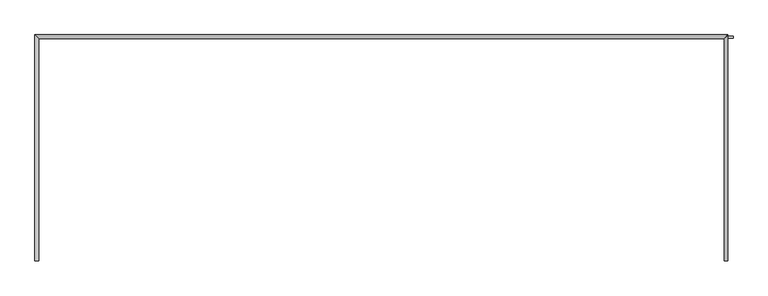
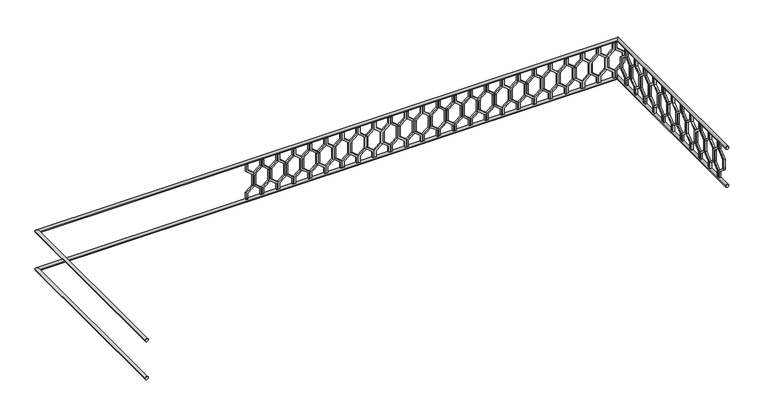
"""IFC4 building model written with IfcOpenShell, lengths in millimetres: railing geometry."""

from ifc_helpers import new_model, si_unit, frame, origin, place, context, project, spatial, polyline, circle_curve, ellipse_curve, outline, extrude, source, transform, mapped, element, save
from ifc_brep_helpers import plane_surface, cylinder_surface, advanced_brep


def railing_1b84068b(model_context):
    return source(origin(), model_context, "Body", "SolidModel", [
        advanced_brep(
        [(42360.0112841, 903.1079487, 25380.0), (42320.0112841, 903.1079487, 25380.0), (42320.0112841, 3283.1079487, 25380.0), (42360.0112841, 3243.1079487, 25380.0), (49600.0112841, 3283.1079487, 25380.0), (49560.0112841, 3243.1079487, 25380.0), (49560.0112841, 903.1079487, 25380.0), (49600.0112841, 903.1079487, 25380.0)],
        [
            (0, 1, circle_curve(frame((42340.0112841, 903.1079487, 25380.0), z_axis=(0.0, -1.0, 0.0), x_axis=(-1.0, 0.0, 0.0)), 20.0)),
            (1, 0, circle_curve(frame((42340.0112841, 903.1079487, 25380.0), z_axis=(0.0, -1.0, 0.0), x_axis=(-1.0, 0.0, 0.0)), 20.0)),
            (1, 2),
            (2, 3, ellipse_curve(frame((42340.0112841, 3263.1079487, 25380.0), z_axis=(-0.7071067811865475, -0.7071067811865476, 0.0), x_axis=(0.7071067811865476, -0.7071067811865475, 0.0)), 28.2842712, 20.0)),
            (3, 0),
            (3, 2, ellipse_curve(frame((42340.0112841, 3263.1079487, 25380.0), z_axis=(-0.7071067811865475, -0.7071067811865476, 0.0), x_axis=(0.7071067811865476, -0.7071067811865475, 0.0)), 28.2842712, 20.0)),
            (2, 4),
            (4, 5, ellipse_curve(frame((49580.0112841, 3263.1079487, 25380.0), z_axis=(-0.7071067811865481, 0.7071067811865469, 0.0), x_axis=(-0.7071067811865469, -0.7071067811865481, 0.0)), 28.2842712, 20.0)),
            (5, 3),
            (5, 4, ellipse_curve(frame((49580.0112841, 3263.1079487, 25380.0), z_axis=(-0.7071067811865481, 0.7071067811865469, 0.0), x_axis=(-0.7071067811865469, -0.7071067811865481, 0.0)), 28.2842712, 20.0)),
            (6, 7, circle_curve(frame((49580.0112841, 903.1079487, 25380.0), z_axis=(0.0, -1.0, 0.0), x_axis=(1.0, 0.0, 0.0)), 20.0)),
            (7, 6, circle_curve(frame((49580.0112841, 903.1079487, 25380.0), z_axis=(0.0, -1.0, 0.0), x_axis=(1.0, 0.0, 0.0)), 20.0)),
            (4, 7),
            (6, 5),
        ],
        [
            plane_surface(frame((42340.0112841, 903.1079487, 25400.0), z_axis=(0.0, -1.0, 0.0), x_axis=(0.0, 0.0, 1.0))),
            cylinder_surface(frame((42340.0112841, 903.1079487, 25380.0), z_axis=(0.0, -1.0, 0.0), x_axis=(-1.0, 0.0, 0.0)), 20.0),
            cylinder_surface(frame((42340.0112841, 3263.1079487, 25380.0), z_axis=(-1.0, 0.0, 0.0), x_axis=(0.0, 1.0, 0.0)), 20.0),
            plane_surface(frame((49580.0112841, 903.1079487, 25400.0), z_axis=(0.0, -1.0, 0.0), x_axis=(0.0, 0.0, -1.0))),
            cylinder_surface(frame((49580.0112841, 3263.1079487, 25380.0), z_axis=(0.0, 1.0, 0.0), x_axis=(1.0, 0.0, 0.0)), 20.0),
        ],
        [
            (0, [[1, 2]]),
            (1, [[-2, 3, 4, 5]]),
            (1, [[-1, -5, 6, -3]]),
            (2, [[-4, 7, 8, 9]]),
            (2, [[-6, -9, 10, -7]]),
            (3, [[11, 12]]),
            (4, [[-8, 13, -11, 14]]),
            (4, [[-10, -14, -12, -13]]),
        ],
    ),
        advanced_brep(
        [(42360.0112841, 903.1079487, 24880.0), (42320.0112841, 903.1079487, 24880.0), (42320.0112841, 3283.1079487, 24880.0), (42360.0112841, 3243.1079487, 24880.0), (49600.0112841, 3283.1079487, 24880.0), (49560.0112841, 3243.1079487, 24880.0), (49560.0112841, 903.1079487, 24880.0), (49600.0112841, 903.1079487, 24880.0)],
        [
            (0, 1, circle_curve(frame((42340.0112841, 903.1079487, 24880.0), z_axis=(0.0, -1.0, 0.0), x_axis=(-1.0, 0.0, 0.0)), 20.0)),
            (1, 0, circle_curve(frame((42340.0112841, 903.1079487, 24880.0), z_axis=(0.0, -1.0, 0.0), x_axis=(-1.0, 0.0, 0.0)), 20.0)),
            (1, 2),
            (2, 3, ellipse_curve(frame((42340.0112841, 3263.1079487, 24880.0), z_axis=(-0.7071067811865475, -0.7071067811865476, 0.0), x_axis=(0.7071067811865476, -0.7071067811865475, 0.0)), 28.2842712, 20.0)),
            (3, 0),
            (3, 2, ellipse_curve(frame((42340.0112841, 3263.1079487, 24880.0), z_axis=(-0.7071067811865475, -0.7071067811865476, 0.0), x_axis=(0.7071067811865476, -0.7071067811865475, 0.0)), 28.2842712, 20.0)),
            (2, 4),
            (4, 5, ellipse_curve(frame((49580.0112841, 3263.1079487, 24880.0), z_axis=(-0.7071067811865481, 0.7071067811865469, 0.0), x_axis=(-0.7071067811865469, -0.7071067811865481, 0.0)), 28.2842712, 20.0)),
            (5, 3),
            (5, 4, ellipse_curve(frame((49580.0112841, 3263.1079487, 24880.0), z_axis=(-0.7071067811865481, 0.7071067811865469, 0.0), x_axis=(-0.7071067811865469, -0.7071067811865481, 0.0)), 28.2842712, 20.0)),
            (6, 7, circle_curve(frame((49580.0112841, 903.1079487, 24880.0), z_axis=(0.0, -1.0, 0.0), x_axis=(1.0, 0.0, 0.0)), 20.0)),
            (7, 6, circle_curve(frame((49580.0112841, 903.1079487, 24880.0), z_axis=(0.0, -1.0, 0.0), x_axis=(1.0, 0.0, 0.0)), 20.0)),
            (4, 7),
            (6, 5),
        ],
        [
            plane_surface(frame((42340.0112841, 903.1079487, 24900.0), z_axis=(0.0, -1.0, 0.0), x_axis=(0.0, 0.0, 1.0))),
            cylinder_surface(frame((42340.0112841, 903.1079487, 24880.0), z_axis=(0.0, -1.0, 0.0), x_axis=(-1.0, 0.0, 0.0)), 20.0),
            cylinder_surface(frame((42340.0112841, 3263.1079487, 24880.0), z_axis=(-1.0, 0.0, 0.0), x_axis=(0.0, 1.0, 0.0)), 20.0),
            plane_surface(frame((49580.0112841, 903.1079487, 24900.0), z_axis=(0.0, -1.0, 0.0), x_axis=(0.0, 0.0, -1.0))),
            cylinder_surface(frame((49580.0112841, 3263.1079487, 24880.0), z_axis=(0.0, 1.0, 0.0), x_axis=(1.0, 0.0, 0.0)), 20.0),
        ],
        [
            (0, [[1, 2]]),
            (1, [[-2, 3, 4, 5]]),
            (1, [[-1, -5, 6, -3]]),
            (2, [[-4, 7, 8, 9]]),
            (2, [[-6, -9, 10, -7]]),
            (3, [[11, 12]]),
            (4, [[-8, 13, -11, 14]]),
            (4, [[-10, -14, -12, -13]]),
        ],
    ),
        extrude(outline(polyline([(1068.1079487, 25360.0), (1068.1079487, 25270.448155), (969.1129993, 25190.448155), (969.1129993, 25069.551845), (1068.1079487, 24989.551845), (1068.1079487, 24900.0), (1048.1079487, 24900.0), (1048.1079487, 24980.0), (949.1129993, 25060.0), (949.1129993, 25200.0), (1048.1079487, 25280.0), (1048.1079487, 25360.0), (1068.1079487, 25360.0)])), frame((49565.0112841, 0.0, 0.0), z_axis=(1.0, 0.0, 0.0), x_axis=(0.0, 1.0, 0.0)), (0.0, 0.0, 1.0), 20.0),
        extrude(outline(polyline([(1068.1079487, 25360.0), (1088.1079487, 25360.0), (1088.1079487, 25280.0), (1187.102898, 25200.0), (1187.102898, 25060.0), (1088.1079487, 24980.0), (1088.1079487, 24900.0), (1068.1079487, 24900.0), (1068.1079487, 24989.551845), (1167.102898, 25069.551845), (1167.102898, 25190.448155), (1068.1079487, 25270.448155), (1068.1079487, 25360.0)])), frame((49565.0112841, 0.0, 0.0), z_axis=(1.0, 0.0, 0.0), x_axis=(0.0, 1.0, 0.0)), (0.0, 0.0, 1.0), 20.0),
        extrude(outline(polyline([(1268.1079487, 25360.0), (1268.1079487, 25270.448155), (1169.1129993, 25190.448155), (1169.1129993, 25069.551845), (1268.1079487, 24989.551845), (1268.1079487, 24900.0), (1248.1079487, 24900.0), (1248.1079487, 24980.0), (1149.1129993, 25060.0), (1149.1129993, 25200.0), (1248.1079487, 25280.0), (1248.1079487, 25360.0), (1268.1079487, 25360.0)])), frame((49565.0112841, 0.0, 0.0), z_axis=(1.0, 0.0, 0.0), x_axis=(0.0, 1.0, 0.0)), (0.0, 0.0, 1.0), 20.0),
        extrude(outline(polyline([(1268.1079487, 25360.0), (1288.1079487, 25360.0), (1288.1079487, 25280.0), (1387.102898, 25200.0), (1387.102898, 25060.0), (1288.1079487, 24980.0), (1288.1079487, 24900.0), (1268.1079487, 24900.0), (1268.1079487, 24989.551845), (1367.102898, 25069.551845), (1367.102898, 25190.448155), (1268.1079487, 25270.448155), (1268.1079487, 25360.0)])), frame((49565.0112841, 0.0, 0.0), z_axis=(1.0, 0.0, 0.0), x_axis=(0.0, 1.0, 0.0)), (0.0, 0.0, 1.0), 20.0),
        extrude(outline(polyline([(1468.1079487, 25360.0), (1468.1079487, 25270.448155), (1369.1129993, 25190.448155), (1369.1129993, 25069.551845), (1468.1079487, 24989.551845), (1468.1079487, 24900.0), (1448.1079487, 24900.0), (1448.1079487, 24980.0), (1349.1129993, 25060.0), (1349.1129993, 25200.0), (1448.1079487, 25280.0), (1448.1079487, 25360.0), (1468.1079487, 25360.0)])), frame((49565.0112841, 0.0, 0.0), z_axis=(1.0, 0.0, 0.0), x_axis=(0.0, 1.0, 0.0)), (0.0, 0.0, 1.0), 20.0),
        extrude(outline(polyline([(1468.1079487, 25360.0), (1488.1079487, 25360.0), (1488.1079487, 25280.0), (1587.102898, 25200.0), (1587.102898, 25060.0), (1488.1079487, 24980.0), (1488.1079487, 24900.0), (1468.1079487, 24900.0), (1468.1079487, 24989.551845), (1567.102898, 25069.551845), (1567.102898, 25190.448155), (1468.1079487, 25270.448155), (1468.1079487, 25360.0)])), frame((49565.0112841, 0.0, 0.0), z_axis=(1.0, 0.0, 0.0), x_axis=(0.0, 1.0, 0.0)), (0.0, 0.0, 1.0), 20.0),
        extrude(outline(polyline([(1668.1079487, 25360.0), (1668.1079487, 25270.448155), (1569.1129993, 25190.448155), (1569.1129993, 25069.551845), (1668.1079487, 24989.551845), (1668.1079487, 24900.0), (1648.1079487, 24900.0), (1648.1079487, 24980.0), (1549.1129993, 25060.0), (1549.1129993, 25200.0), (1648.1079487, 25280.0), (1648.1079487, 25360.0), (1668.1079487, 25360.0)])), frame((49565.0112841, 0.0, 0.0), z_axis=(1.0, 0.0, 0.0), x_axis=(0.0, 1.0, 0.0)), (0.0, 0.0, 1.0), 20.0),
        extrude(outline(polyline([(1668.1079487, 25360.0), (1688.1079487, 25360.0), (1688.1079487, 25280.0), (1787.102898, 25200.0), (1787.102898, 25060.0), (1688.1079487, 24980.0), (1688.1079487, 24900.0), (1668.1079487, 24900.0), (1668.1079487, 24989.551845), (1767.102898, 25069.551845), (1767.102898, 25190.448155), (1668.1079487, 25270.448155), (1668.1079487, 25360.0)])), frame((49565.0112841, 0.0, 0.0), z_axis=(1.0, 0.0, 0.0), x_axis=(0.0, 1.0, 0.0)), (0.0, 0.0, 1.0), 20.0),
        extrude(outline(polyline([(1868.1079487, 25360.0), (1868.1079487, 25270.448155), (1769.1129993, 25190.448155), (1769.1129993, 25069.551845), (1868.1079487, 24989.551845), (1868.1079487, 24900.0), (1848.1079487, 24900.0), (1848.1079487, 24980.0), (1749.1129993, 25060.0), (1749.1129993, 25200.0), (1848.1079487, 25280.0), (1848.1079487, 25360.0), (1868.1079487, 25360.0)])), frame((49565.0112841, 0.0, 0.0), z_axis=(1.0, 0.0, 0.0), x_axis=(0.0, 1.0, 0.0)), (0.0, 0.0, 1.0), 20.0),
        extrude(outline(polyline([(1868.1079487, 25360.0), (1888.1079487, 25360.0), (1888.1079487, 25280.0), (1987.102898, 25200.0), (1987.102898, 25060.0), (1888.1079487, 24980.0), (1888.1079487, 24900.0), (1868.1079487, 24900.0), (1868.1079487, 24989.551845), (1967.102898, 25069.551845), (1967.102898, 25190.448155), (1868.1079487, 25270.448155), (1868.1079487, 25360.0)])), frame((49565.0112841, 0.0, 0.0), z_axis=(1.0, 0.0, 0.0), x_axis=(0.0, 1.0, 0.0)), (0.0, 0.0, 1.0), 20.0),
        extrude(outline(polyline([(2068.1079487, 25360.0), (2068.1079487, 25270.448155), (1969.1129993, 25190.448155), (1969.1129993, 25069.551845), (2068.1079487, 24989.551845), (2068.1079487, 24900.0), (2048.1079487, 24900.0), (2048.1079487, 24980.0), (1949.1129993, 25060.0), (1949.1129993, 25200.0), (2048.1079487, 25280.0), (2048.1079487, 25360.0), (2068.1079487, 25360.0)])), frame((49565.0112841, 0.0, 0.0), z_axis=(1.0, 0.0, 0.0), x_axis=(0.0, 1.0, 0.0)), (0.0, 0.0, 1.0), 20.0),
        extrude(outline(polyline([(2068.1079487, 25360.0), (2088.1079487, 25360.0), (2088.1079487, 25280.0), (2187.102898, 25200.0), (2187.102898, 25060.0), (2088.1079487, 24980.0), (2088.1079487, 24900.0), (2068.1079487, 24900.0), (2068.1079487, 24989.551845), (2167.102898, 25069.551845), (2167.102898, 25190.448155), (2068.1079487, 25270.448155), (2068.1079487, 25360.0)])), frame((49565.0112841, 0.0, 0.0), z_axis=(1.0, 0.0, 0.0), x_axis=(0.0, 1.0, 0.0)), (0.0, 0.0, 1.0), 20.0),
        extrude(outline(polyline([(2268.1079487, 25360.0), (2268.1079487, 25270.448155), (2169.1129993, 25190.448155), (2169.1129993, 25069.551845), (2268.1079487, 24989.551845), (2268.1079487, 24900.0), (2248.1079487, 24900.0), (2248.1079487, 24980.0), (2149.1129993, 25060.0), (2149.1129993, 25200.0), (2248.1079487, 25280.0), (2248.1079487, 25360.0), (2268.1079487, 25360.0)])), frame((49565.0112841, 0.0, 0.0), z_axis=(1.0, 0.0, 0.0), x_axis=(0.0, 1.0, 0.0)), (0.0, 0.0, 1.0), 20.0),
        extrude(outline(polyline([(2268.1079487, 25360.0), (2288.1079487, 25360.0), (2288.1079487, 25280.0), (2387.102898, 25200.0), (2387.102898, 25060.0), (2288.1079487, 24980.0), (2288.1079487, 24900.0), (2268.1079487, 24900.0), (2268.1079487, 24989.551845), (2367.102898, 25069.551845), (2367.102898, 25190.448155), (2268.1079487, 25270.448155), (2268.1079487, 25360.0)])), frame((49565.0112841, 0.0, 0.0), z_axis=(1.0, 0.0, 0.0), x_axis=(0.0, 1.0, 0.0)), (0.0, 0.0, 1.0), 20.0),
        extrude(outline(polyline([(2468.1079487, 25360.0), (2468.1079487, 25270.448155), (2369.1129993, 25190.448155), (2369.1129993, 25069.551845), (2468.1079487, 24989.551845), (2468.1079487, 24900.0), (2448.1079487, 24900.0), (2448.1079487, 24980.0), (2349.1129993, 25060.0), (2349.1129993, 25200.0), (2448.1079487, 25280.0), (2448.1079487, 25360.0), (2468.1079487, 25360.0)])), frame((49565.0112841, 0.0, 0.0), z_axis=(1.0, 0.0, 0.0), x_axis=(0.0, 1.0, 0.0)), (0.0, 0.0, 1.0), 20.0),
        extrude(outline(polyline([(2468.1079487, 25360.0), (2488.1079487, 25360.0), (2488.1079487, 25280.0), (2587.102898, 25200.0), (2587.102898, 25060.0), (2488.1079487, 24980.0), (2488.1079487, 24900.0), (2468.1079487, 24900.0), (2468.1079487, 24989.551845), (2567.102898, 25069.551845), (2567.102898, 25190.448155), (2468.1079487, 25270.448155), (2468.1079487, 25360.0)])), frame((49565.0112841, 0.0, 0.0), z_axis=(1.0, 0.0, 0.0), x_axis=(0.0, 1.0, 0.0)), (0.0, 0.0, 1.0), 20.0),
        extrude(outline(polyline([(2668.1079487, 25360.0), (2668.1079487, 25270.448155), (2569.1129993, 25190.448155), (2569.1129993, 25069.551845), (2668.1079487, 24989.551845), (2668.1079487, 24900.0), (2648.1079487, 24900.0), (2648.1079487, 24980.0), (2549.1129993, 25060.0), (2549.1129993, 25200.0), (2648.1079487, 25280.0), (2648.1079487, 25360.0), (2668.1079487, 25360.0)])), frame((49565.0112841, 0.0, 0.0), z_axis=(1.0, 0.0, 0.0), x_axis=(0.0, 1.0, 0.0)), (0.0, 0.0, 1.0), 20.0),
        extrude(outline(polyline([(2668.1079487, 25360.0), (2688.1079487, 25360.0), (2688.1079487, 25280.0), (2787.102898, 25200.0), (2787.102898, 25060.0), (2688.1079487, 24980.0), (2688.1079487, 24900.0), (2668.1079487, 24900.0), (2668.1079487, 24989.551845), (2767.102898, 25069.551845), (2767.102898, 25190.448155), (2668.1079487, 25270.448155), (2668.1079487, 25360.0)])), frame((49565.0112841, 0.0, 0.0), z_axis=(1.0, 0.0, 0.0), x_axis=(0.0, 1.0, 0.0)), (0.0, 0.0, 1.0), 20.0),
        extrude(outline(polyline([(2868.1079487, 25360.0), (2868.1079487, 25270.448155), (2769.1129993, 25190.448155), (2769.1129993, 25069.551845), (2868.1079487, 24989.551845), (2868.1079487, 24900.0), (2848.1079487, 24900.0), (2848.1079487, 24980.0), (2749.1129993, 25060.0), (2749.1129993, 25200.0), (2848.1079487, 25280.0), (2848.1079487, 25360.0), (2868.1079487, 25360.0)])), frame((49565.0112841, 0.0, 0.0), z_axis=(1.0, 0.0, 0.0), x_axis=(0.0, 1.0, 0.0)), (0.0, 0.0, 1.0), 20.0),
        extrude(outline(polyline([(2868.1079487, 25360.0), (2888.1079487, 25360.0), (2888.1079487, 25280.0), (2987.102898, 25200.0), (2987.102898, 25060.0), (2888.1079487, 24980.0), (2888.1079487, 24900.0), (2868.1079487, 24900.0), (2868.1079487, 24989.551845), (2967.102898, 25069.551845), (2967.102898, 25190.448155), (2868.1079487, 25270.448155), (2868.1079487, 25360.0)])), frame((49565.0112841, 0.0, 0.0), z_axis=(1.0, 0.0, 0.0), x_axis=(0.0, 1.0, 0.0)), (0.0, 0.0, 1.0), 20.0),
        extrude(outline(polyline([(3068.1079487, 25360.0), (3068.1079487, 25270.448155), (2969.1129993, 25190.448155), (2969.1129993, 25069.551845), (3068.1079487, 24989.551845), (3068.1079487, 24900.0), (3048.1079487, 24900.0), (3048.1079487, 24980.0), (2949.1129993, 25060.0), (2949.1129993, 25200.0), (3048.1079487, 25280.0), (3048.1079487, 25360.0), (3068.1079487, 25360.0)])), frame((49565.0112841, 0.0, 0.0), z_axis=(1.0, 0.0, 0.0), x_axis=(0.0, 1.0, 0.0)), (0.0, 0.0, 1.0), 20.0),
        extrude(outline(polyline([(3068.1079487, 25360.0), (3088.1079487, 25360.0), (3088.1079487, 25280.0), (3187.102898, 25200.0), (3187.102898, 25060.0), (3088.1079487, 24980.0), (3088.1079487, 24900.0), (3068.1079487, 24900.0), (3068.1079487, 24989.551845), (3167.102898, 25069.551845), (3167.102898, 25190.448155), (3068.1079487, 25270.448155), (3068.1079487, 25360.0)])), frame((49565.0112841, 0.0, 0.0), z_axis=(1.0, 0.0, 0.0), x_axis=(0.0, 1.0, 0.0)), (0.0, 0.0, 1.0), 20.0),
        extrude(outline(polyline([(25360.0, 49535.0112841), (25270.448155, 49535.0112841), (25190.448155, 49634.0062335), (25069.551845, 49634.0062335), (24989.551845, 49535.0112841), (24900.0, 49535.0112841), (24900.0, 49555.0112841), (24980.0, 49555.0112841), (25060.0, 49654.0062335), (25200.0, 49654.0062335), (25280.0, 49555.0112841), (25360.0, 49555.0112841), (25360.0, 49535.0112841)])), frame((0.0, 3248.1079487, 0.0), z_axis=(0.0, 1.0, 0.0), x_axis=(0.0, 0.0, 1.0)), (0.0, 0.0, 1.0), 20.0),
        extrude(outline(polyline([(25360.0, 49535.0112841), (25360.0, 49515.0112841), (25280.0, 49515.0112841), (25200.0, 49416.0163347), (25060.0, 49416.0163347), (24980.0, 49515.0112841), (24900.0, 49515.0112841), (24900.0, 49535.0112841), (24989.551845, 49535.0112841), (25069.551845, 49436.0163347), (25190.448155, 49436.0163347), (25270.448155, 49535.0112841), (25360.0, 49535.0112841)])), frame((0.0, 3248.1079487, 0.0), z_axis=(0.0, 1.0, 0.0), x_axis=(0.0, 0.0, 1.0)), (0.0, 0.0, 1.0), 20.0),
        extrude(outline(polyline([(25360.0, 49335.0112841), (25270.448155, 49335.0112841), (25190.448155, 49434.0062335), (25069.551845, 49434.0062335), (24989.551845, 49335.0112841), (24900.0, 49335.0112841), (24900.0, 49355.0112841), (24980.0, 49355.0112841), (25060.0, 49454.0062335), (25200.0, 49454.0062335), (25280.0, 49355.0112841), (25360.0, 49355.0112841), (25360.0, 49335.0112841)])), frame((0.0, 3248.1079487, 0.0), z_axis=(0.0, 1.0, 0.0), x_axis=(0.0, 0.0, 1.0)), (0.0, 0.0, 1.0), 20.0),
        extrude(outline(polyline([(25360.0, 49335.0112841), (25360.0, 49315.0112841), (25280.0, 49315.0112841), (25200.0, 49216.0163347), (25060.0, 49216.0163347), (24980.0, 49315.0112841), (24900.0, 49315.0112841), (24900.0, 49335.0112841), (24989.551845, 49335.0112841), (25069.551845, 49236.0163347), (25190.448155, 49236.0163347), (25270.448155, 49335.0112841), (25360.0, 49335.0112841)])), frame((0.0, 3248.1079487, 0.0), z_axis=(0.0, 1.0, 0.0), x_axis=(0.0, 0.0, 1.0)), (0.0, 0.0, 1.0), 20.0),
        extrude(outline(polyline([(25360.0, 49135.0112841), (25270.448155, 49135.0112841), (25190.448155, 49234.0062335), (25069.551845, 49234.0062335), (24989.551845, 49135.0112841), (24900.0, 49135.0112841), (24900.0, 49155.0112841), (24980.0, 49155.0112841), (25060.0, 49254.0062335), (25200.0, 49254.0062335), (25280.0, 49155.0112841), (25360.0, 49155.0112841), (25360.0, 49135.0112841)])), frame((0.0, 3248.1079487, 0.0), z_axis=(0.0, 1.0, 0.0), x_axis=(0.0, 0.0, 1.0)), (0.0, 0.0, 1.0), 20.0),
        extrude(outline(polyline([(25360.0, 49135.0112841), (25360.0, 49115.0112841), (25280.0, 49115.0112841), (25200.0, 49016.0163347), (25060.0, 49016.0163347), (24980.0, 49115.0112841), (24900.0, 49115.0112841), (24900.0, 49135.0112841), (24989.551845, 49135.0112841), (25069.551845, 49036.0163347), (25190.448155, 49036.0163347), (25270.448155, 49135.0112841), (25360.0, 49135.0112841)])), frame((0.0, 3248.1079487, 0.0), z_axis=(0.0, 1.0, 0.0), x_axis=(0.0, 0.0, 1.0)), (0.0, 0.0, 1.0), 20.0),
        extrude(outline(polyline([(25360.0, 48935.0112841), (25270.448155, 48935.0112841), (25190.448155, 49034.0062335), (25069.551845, 49034.0062335), (24989.551845, 48935.0112841), (24900.0, 48935.0112841), (24900.0, 48955.0112841), (24980.0, 48955.0112841), (25060.0, 49054.0062335), (25200.0, 49054.0062335), (25280.0, 48955.0112841), (25360.0, 48955.0112841), (25360.0, 48935.0112841)])), frame((0.0, 3248.1079487, 0.0), z_axis=(0.0, 1.0, 0.0), x_axis=(0.0, 0.0, 1.0)), (0.0, 0.0, 1.0), 20.0),
        extrude(outline(polyline([(25360.0, 48935.0112841), (25360.0, 48915.0112841), (25280.0, 48915.0112841), (25200.0, 48816.0163347), (25060.0, 48816.0163347), (24980.0, 48915.0112841), (24900.0, 48915.0112841), (24900.0, 48935.0112841), (24989.551845, 48935.0112841), (25069.551845, 48836.0163347), (25190.448155, 48836.0163347), (25270.448155, 48935.0112841), (25360.0, 48935.0112841)])), frame((0.0, 3248.1079487, 0.0), z_axis=(0.0, 1.0, 0.0), x_axis=(0.0, 0.0, 1.0)), (0.0, 0.0, 1.0), 20.0),
        extrude(outline(polyline([(25360.0, 48735.0112841), (25270.448155, 48735.0112841), (25190.448155, 48834.0062335), (25069.551845, 48834.0062335), (24989.551845, 48735.0112841), (24900.0, 48735.0112841), (24900.0, 48755.0112841), (24980.0, 48755.0112841), (25060.0, 48854.0062335), (25200.0, 48854.0062335), (25280.0, 48755.0112841), (25360.0, 48755.0112841), (25360.0, 48735.0112841)])), frame((0.0, 3248.1079487, 0.0), z_axis=(0.0, 1.0, 0.0), x_axis=(0.0, 0.0, 1.0)), (0.0, 0.0, 1.0), 20.0),
        extrude(outline(polyline([(25360.0, 48735.0112841), (25360.0, 48715.0112841), (25280.0, 48715.0112841), (25200.0, 48616.0163347), (25060.0, 48616.0163347), (24980.0, 48715.0112841), (24900.0, 48715.0112841), (24900.0, 48735.0112841), (24989.551845, 48735.0112841), (25069.551845, 48636.0163347), (25190.448155, 48636.0163347), (25270.448155, 48735.0112841), (25360.0, 48735.0112841)])), frame((0.0, 3248.1079487, 0.0), z_axis=(0.0, 1.0, 0.0), x_axis=(0.0, 0.0, 1.0)), (0.0, 0.0, 1.0), 20.0),
        extrude(outline(polyline([(25360.0, 48535.0112841), (25270.448155, 48535.0112841), (25190.448155, 48634.0062335), (25069.551845, 48634.0062335), (24989.551845, 48535.0112841), (24900.0, 48535.0112841), (24900.0, 48555.0112841), (24980.0, 48555.0112841), (25060.0, 48654.0062335), (25200.0, 48654.0062335), (25280.0, 48555.0112841), (25360.0, 48555.0112841), (25360.0, 48535.0112841)])), frame((0.0, 3248.1079487, 0.0), z_axis=(0.0, 1.0, 0.0), x_axis=(0.0, 0.0, 1.0)), (0.0, 0.0, 1.0), 20.0),
        extrude(outline(polyline([(25360.0, 48535.0112841), (25360.0, 48515.0112841), (25280.0, 48515.0112841), (25200.0, 48416.0163347), (25060.0, 48416.0163347), (24980.0, 48515.0112841), (24900.0, 48515.0112841), (24900.0, 48535.0112841), (24989.551845, 48535.0112841), (25069.551845, 48436.0163347), (25190.448155, 48436.0163347), (25270.448155, 48535.0112841), (25360.0, 48535.0112841)])), frame((0.0, 3248.1079487, 0.0), z_axis=(0.0, 1.0, 0.0), x_axis=(0.0, 0.0, 1.0)), (0.0, 0.0, 1.0), 20.0),
        extrude(outline(polyline([(25360.0, 48335.0112841), (25270.448155, 48335.0112841), (25190.448155, 48434.0062335), (25069.551845, 48434.0062335), (24989.551845, 48335.0112841), (24900.0, 48335.0112841), (24900.0, 48355.0112841), (24980.0, 48355.0112841), (25060.0, 48454.0062335), (25200.0, 48454.0062335), (25280.0, 48355.0112841), (25360.0, 48355.0112841), (25360.0, 48335.0112841)])), frame((0.0, 3248.1079487, 0.0), z_axis=(0.0, 1.0, 0.0), x_axis=(0.0, 0.0, 1.0)), (0.0, 0.0, 1.0), 20.0),
        extrude(outline(polyline([(25360.0, 48335.0112841), (25360.0, 48315.0112841), (25280.0, 48315.0112841), (25200.0, 48216.0163347), (25060.0, 48216.0163347), (24980.0, 48315.0112841), (24900.0, 48315.0112841), (24900.0, 48335.0112841), (24989.551845, 48335.0112841), (25069.551845, 48236.0163347), (25190.448155, 48236.0163347), (25270.448155, 48335.0112841), (25360.0, 48335.0112841)])), frame((0.0, 3248.1079487, 0.0), z_axis=(0.0, 1.0, 0.0), x_axis=(0.0, 0.0, 1.0)), (0.0, 0.0, 1.0), 20.0),
        extrude(outline(polyline([(25360.0, 48135.0112841), (25270.448155, 48135.0112841), (25190.448155, 48234.0062335), (25069.551845, 48234.0062335), (24989.551845, 48135.0112841), (24900.0, 48135.0112841), (24900.0, 48155.0112841), (24980.0, 48155.0112841), (25060.0, 48254.0062335), (25200.0, 48254.0062335), (25280.0, 48155.0112841), (25360.0, 48155.0112841), (25360.0, 48135.0112841)])), frame((0.0, 3248.1079487, 0.0), z_axis=(0.0, 1.0, 0.0), x_axis=(0.0, 0.0, 1.0)), (0.0, 0.0, 1.0), 20.0),
        extrude(outline(polyline([(25360.0, 48135.0112841), (25360.0, 48115.0112841), (25280.0, 48115.0112841), (25200.0, 48016.0163347), (25060.0, 48016.0163347), (24980.0, 48115.0112841), (24900.0, 48115.0112841), (24900.0, 48135.0112841), (24989.551845, 48135.0112841), (25069.551845, 48036.0163347), (25190.448155, 48036.0163347), (25270.448155, 48135.0112841), (25360.0, 48135.0112841)])), frame((0.0, 3248.1079487, 0.0), z_axis=(0.0, 1.0, 0.0), x_axis=(0.0, 0.0, 1.0)), (0.0, 0.0, 1.0), 20.0),
        extrude(outline(polyline([(25360.0, 47935.0112841), (25270.448155, 47935.0112841), (25190.448155, 48034.0062335), (25069.551845, 48034.0062335), (24989.551845, 47935.0112841), (24900.0, 47935.0112841), (24900.0, 47955.0112841), (24980.0, 47955.0112841), (25060.0, 48054.0062335), (25200.0, 48054.0062335), (25280.0, 47955.0112841), (25360.0, 47955.0112841), (25360.0, 47935.0112841)])), frame((0.0, 3248.1079487, 0.0), z_axis=(0.0, 1.0, 0.0), x_axis=(0.0, 0.0, 1.0)), (0.0, 0.0, 1.0), 20.0),
        extrude(outline(polyline([(25360.0, 47935.0112841), (25360.0, 47915.0112841), (25280.0, 47915.0112841), (25200.0, 47816.0163347), (25060.0, 47816.0163347), (24980.0, 47915.0112841), (24900.0, 47915.0112841), (24900.0, 47935.0112841), (24989.551845, 47935.0112841), (25069.551845, 47836.0163347), (25190.448155, 47836.0163347), (25270.448155, 47935.0112841), (25360.0, 47935.0112841)])), frame((0.0, 3248.1079487, 0.0), z_axis=(0.0, 1.0, 0.0), x_axis=(0.0, 0.0, 1.0)), (0.0, 0.0, 1.0), 20.0),
        extrude(outline(polyline([(25360.0, 47735.0112841), (25270.448155, 47735.0112841), (25190.448155, 47834.0062335), (25069.551845, 47834.0062335), (24989.551845, 47735.0112841), (24900.0, 47735.0112841), (24900.0, 47755.0112841), (24980.0, 47755.0112841), (25060.0, 47854.0062335), (25200.0, 47854.0062335), (25280.0, 47755.0112841), (25360.0, 47755.0112841), (25360.0, 47735.0112841)])), frame((0.0, 3248.1079487, 0.0), z_axis=(0.0, 1.0, 0.0), x_axis=(0.0, 0.0, 1.0)), (0.0, 0.0, 1.0), 20.0),
        extrude(outline(polyline([(25360.0, 47735.0112841), (25360.0, 47715.0112841), (25280.0, 47715.0112841), (25200.0, 47616.0163347), (25060.0, 47616.0163347), (24980.0, 47715.0112841), (24900.0, 47715.0112841), (24900.0, 47735.0112841), (24989.551845, 47735.0112841), (25069.551845, 47636.0163347), (25190.448155, 47636.0163347), (25270.448155, 47735.0112841), (25360.0, 47735.0112841)])), frame((0.0, 3248.1079487, 0.0), z_axis=(0.0, 1.0, 0.0), x_axis=(0.0, 0.0, 1.0)), (0.0, 0.0, 1.0), 20.0),
        extrude(outline(polyline([(25360.0, 47535.0112841), (25270.448155, 47535.0112841), (25190.448155, 47634.0062335), (25069.551845, 47634.0062335), (24989.551845, 47535.0112841), (24900.0, 47535.0112841), (24900.0, 47555.0112841), (24980.0, 47555.0112841), (25060.0, 47654.0062335), (25200.0, 47654.0062335), (25280.0, 47555.0112841), (25360.0, 47555.0112841), (25360.0, 47535.0112841)])), frame((0.0, 3248.1079487, 0.0), z_axis=(0.0, 1.0, 0.0), x_axis=(0.0, 0.0, 1.0)), (0.0, 0.0, 1.0), 20.0),
        extrude(outline(polyline([(25360.0, 47535.0112841), (25360.0, 47515.0112841), (25280.0, 47515.0112841), (25200.0, 47416.0163347), (25060.0, 47416.0163347), (24980.0, 47515.0112841), (24900.0, 47515.0112841), (24900.0, 47535.0112841), (24989.551845, 47535.0112841), (25069.551845, 47436.0163347), (25190.448155, 47436.0163347), (25270.448155, 47535.0112841), (25360.0, 47535.0112841)])), frame((0.0, 3248.1079487, 0.0), z_axis=(0.0, 1.0, 0.0), x_axis=(0.0, 0.0, 1.0)), (0.0, 0.0, 1.0), 20.0),
        extrude(outline(polyline([(25360.0, 47335.0112841), (25270.448155, 47335.0112841), (25190.448155, 47434.0062335), (25069.551845, 47434.0062335), (24989.551845, 47335.0112841), (24900.0, 47335.0112841), (24900.0, 47355.0112841), (24980.0, 47355.0112841), (25060.0, 47454.0062335), (25200.0, 47454.0062335), (25280.0, 47355.0112841), (25360.0, 47355.0112841), (25360.0, 47335.0112841)])), frame((0.0, 3248.1079487, 0.0), z_axis=(0.0, 1.0, 0.0), x_axis=(0.0, 0.0, 1.0)), (0.0, 0.0, 1.0), 20.0),
        extrude(outline(polyline([(25360.0, 47335.0112841), (25360.0, 47315.0112841), (25280.0, 47315.0112841), (25200.0, 47216.0163347), (25060.0, 47216.0163347), (24980.0, 47315.0112841), (24900.0, 47315.0112841), (24900.0, 47335.0112841), (24989.551845, 47335.0112841), (25069.551845, 47236.0163347), (25190.448155, 47236.0163347), (25270.448155, 47335.0112841), (25360.0, 47335.0112841)])), frame((0.0, 3248.1079487, 0.0), z_axis=(0.0, 1.0, 0.0), x_axis=(0.0, 0.0, 1.0)), (0.0, 0.0, 1.0), 20.0),
        extrude(outline(polyline([(25360.0, 47135.0112841), (25270.448155, 47135.0112841), (25190.448155, 47234.0062335), (25069.551845, 47234.0062335), (24989.551845, 47135.0112841), (24900.0, 47135.0112841), (24900.0, 47155.0112841), (24980.0, 47155.0112841), (25060.0, 47254.0062335), (25200.0, 47254.0062335), (25280.0, 47155.0112841), (25360.0, 47155.0112841), (25360.0, 47135.0112841)])), frame((0.0, 3248.1079487, 0.0), z_axis=(0.0, 1.0, 0.0), x_axis=(0.0, 0.0, 1.0)), (0.0, 0.0, 1.0), 20.0),
        extrude(outline(polyline([(25360.0, 47135.0112841), (25360.0, 47115.0112841), (25280.0, 47115.0112841), (25200.0, 47016.0163347), (25060.0, 47016.0163347), (24980.0, 47115.0112841), (24900.0, 47115.0112841), (24900.0, 47135.0112841), (24989.551845, 47135.0112841), (25069.551845, 47036.0163347), (25190.448155, 47036.0163347), (25270.448155, 47135.0112841), (25360.0, 47135.0112841)])), frame((0.0, 3248.1079487, 0.0), z_axis=(0.0, 1.0, 0.0), x_axis=(0.0, 0.0, 1.0)), (0.0, 0.0, 1.0), 20.0),
        extrude(outline(polyline([(25360.0, 46935.0112841), (25270.448155, 46935.0112841), (25190.448155, 47034.0062335), (25069.551845, 47034.0062335), (24989.551845, 46935.0112841), (24900.0, 46935.0112841), (24900.0, 46955.0112841), (24980.0, 46955.0112841), (25060.0, 47054.0062335), (25200.0, 47054.0062335), (25280.0, 46955.0112841), (25360.0, 46955.0112841), (25360.0, 46935.0112841)])), frame((0.0, 3248.1079487, 0.0), z_axis=(0.0, 1.0, 0.0), x_axis=(0.0, 0.0, 1.0)), (0.0, 0.0, 1.0), 20.0),
        extrude(outline(polyline([(25360.0, 46935.0112841), (25360.0, 46915.0112841), (25280.0, 46915.0112841), (25200.0, 46816.0163347), (25060.0, 46816.0163347), (24980.0, 46915.0112841), (24900.0, 46915.0112841), (24900.0, 46935.0112841), (24989.551845, 46935.0112841), (25069.551845, 46836.0163347), (25190.448155, 46836.0163347), (25270.448155, 46935.0112841), (25360.0, 46935.0112841)])), frame((0.0, 3248.1079487, 0.0), z_axis=(0.0, 1.0, 0.0), x_axis=(0.0, 0.0, 1.0)), (0.0, 0.0, 1.0), 20.0),
        extrude(outline(polyline([(25360.0, 46735.0112841), (25270.448155, 46735.0112841), (25190.448155, 46834.0062335), (25069.551845, 46834.0062335), (24989.551845, 46735.0112841), (24900.0, 46735.0112841), (24900.0, 46755.0112841), (24980.0, 46755.0112841), (25060.0, 46854.0062335), (25200.0, 46854.0062335), (25280.0, 46755.0112841), (25360.0, 46755.0112841), (25360.0, 46735.0112841)])), frame((0.0, 3248.1079487, 0.0), z_axis=(0.0, 1.0, 0.0), x_axis=(0.0, 0.0, 1.0)), (0.0, 0.0, 1.0), 20.0),
        extrude(outline(polyline([(25360.0, 46735.0112841), (25360.0, 46715.0112841), (25280.0, 46715.0112841), (25200.0, 46616.0163347), (25060.0, 46616.0163347), (24980.0, 46715.0112841), (24900.0, 46715.0112841), (24900.0, 46735.0112841), (24989.551845, 46735.0112841), (25069.551845, 46636.0163347), (25190.448155, 46636.0163347), (25270.448155, 46735.0112841), (25360.0, 46735.0112841)])), frame((0.0, 3248.1079487, 0.0), z_axis=(0.0, 1.0, 0.0), x_axis=(0.0, 0.0, 1.0)), (0.0, 0.0, 1.0), 20.0),
        extrude(outline(polyline([(25360.0, 46535.0112841), (25270.448155, 46535.0112841), (25190.448155, 46634.0062335), (25069.551845, 46634.0062335), (24989.551845, 46535.0112841), (24900.0, 46535.0112841), (24900.0, 46555.0112841), (24980.0, 46555.0112841), (25060.0, 46654.0062335), (25200.0, 46654.0062335), (25280.0, 46555.0112841), (25360.0, 46555.0112841), (25360.0, 46535.0112841)])), frame((0.0, 3248.1079487, 0.0), z_axis=(0.0, 1.0, 0.0), x_axis=(0.0, 0.0, 1.0)), (0.0, 0.0, 1.0), 20.0),
        extrude(outline(polyline([(25360.0, 46535.0112841), (25360.0, 46515.0112841), (25280.0, 46515.0112841), (25200.0, 46416.0163347), (25060.0, 46416.0163347), (24980.0, 46515.0112841), (24900.0, 46515.0112841), (24900.0, 46535.0112841), (24989.551845, 46535.0112841), (25069.551845, 46436.0163347), (25190.448155, 46436.0163347), (25270.448155, 46535.0112841), (25360.0, 46535.0112841)])), frame((0.0, 3248.1079487, 0.0), z_axis=(0.0, 1.0, 0.0), x_axis=(0.0, 0.0, 1.0)), (0.0, 0.0, 1.0), 20.0),
        extrude(outline(polyline([(25360.0, 46335.0112841), (25270.448155, 46335.0112841), (25190.448155, 46434.0062335), (25069.551845, 46434.0062335), (24989.551845, 46335.0112841), (24900.0, 46335.0112841), (24900.0, 46355.0112841), (24980.0, 46355.0112841), (25060.0, 46454.0062335), (25200.0, 46454.0062335), (25280.0, 46355.0112841), (25360.0, 46355.0112841), (25360.0, 46335.0112841)])), frame((0.0, 3248.1079487, 0.0), z_axis=(0.0, 1.0, 0.0), x_axis=(0.0, 0.0, 1.0)), (0.0, 0.0, 1.0), 20.0),
        extrude(outline(polyline([(25360.0, 46335.0112841), (25360.0, 46315.0112841), (25280.0, 46315.0112841), (25200.0, 46216.0163347), (25060.0, 46216.0163347), (24980.0, 46315.0112841), (24900.0, 46315.0112841), (24900.0, 46335.0112841), (24989.551845, 46335.0112841), (25069.551845, 46236.0163347), (25190.448155, 46236.0163347), (25270.448155, 46335.0112841), (25360.0, 46335.0112841)])), frame((0.0, 3248.1079487, 0.0), z_axis=(0.0, 1.0, 0.0), x_axis=(0.0, 0.0, 1.0)), (0.0, 0.0, 1.0), 20.0),
        extrude(outline(polyline([(25360.0, 46135.0112841), (25270.448155, 46135.0112841), (25190.448155, 46234.0062335), (25069.551845, 46234.0062335), (24989.551845, 46135.0112841), (24900.0, 46135.0112841), (24900.0, 46155.0112841), (24980.0, 46155.0112841), (25060.0, 46254.0062335), (25200.0, 46254.0062335), (25280.0, 46155.0112841), (25360.0, 46155.0112841), (25360.0, 46135.0112841)])), frame((0.0, 3248.1079487, 0.0), z_axis=(0.0, 1.0, 0.0), x_axis=(0.0, 0.0, 1.0)), (0.0, 0.0, 1.0), 20.0),
        extrude(outline(polyline([(25360.0, 46135.0112841), (25360.0, 46115.0112841), (25280.0, 46115.0112841), (25200.0, 46016.0163347), (25060.0, 46016.0163347), (24980.0, 46115.0112841), (24900.0, 46115.0112841), (24900.0, 46135.0112841), (24989.551845, 46135.0112841), (25069.551845, 46036.0163347), (25190.448155, 46036.0163347), (25270.448155, 46135.0112841), (25360.0, 46135.0112841)])), frame((0.0, 3248.1079487, 0.0), z_axis=(0.0, 1.0, 0.0), x_axis=(0.0, 0.0, 1.0)), (0.0, 0.0, 1.0), 20.0),
        extrude(outline(polyline([(25360.0, 45935.0112841), (25270.448155, 45935.0112841), (25190.448155, 46034.0062335), (25069.551845, 46034.0062335), (24989.551845, 45935.0112841), (24900.0, 45935.0112841), (24900.0, 45955.0112841), (24980.0, 45955.0112841), (25060.0, 46054.0062335), (25200.0, 46054.0062335), (25280.0, 45955.0112841), (25360.0, 45955.0112841), (25360.0, 45935.0112841)])), frame((0.0, 3248.1079487, 0.0), z_axis=(0.0, 1.0, 0.0), x_axis=(0.0, 0.0, 1.0)), (0.0, 0.0, 1.0), 20.0),
        extrude(outline(polyline([(25360.0, 45935.0112841), (25360.0, 45915.0112841), (25280.0, 45915.0112841), (25200.0, 45816.0163347), (25060.0, 45816.0163347), (24980.0, 45915.0112841), (24900.0, 45915.0112841), (24900.0, 45935.0112841), (24989.551845, 45935.0112841), (25069.551845, 45836.0163347), (25190.448155, 45836.0163347), (25270.448155, 45935.0112841), (25360.0, 45935.0112841)])), frame((0.0, 3248.1079487, 0.0), z_axis=(0.0, 1.0, 0.0), x_axis=(0.0, 0.0, 1.0)), (0.0, 0.0, 1.0), 20.0),
        extrude(outline(polyline([(25360.0, 45735.0112841), (25270.448155, 45735.0112841), (25190.448155, 45834.0062335), (25069.551845, 45834.0062335), (24989.551845, 45735.0112841), (24900.0, 45735.0112841), (24900.0, 45755.0112841), (24980.0, 45755.0112841), (25060.0, 45854.0062335), (25200.0, 45854.0062335), (25280.0, 45755.0112841), (25360.0, 45755.0112841), (25360.0, 45735.0112841)])), frame((0.0, 3248.1079487, 0.0), z_axis=(0.0, 1.0, 0.0), x_axis=(0.0, 0.0, 1.0)), (0.0, 0.0, 1.0), 20.0),
        extrude(outline(polyline([(25360.0, 45735.0112841), (25360.0, 45715.0112841), (25280.0, 45715.0112841), (25200.0, 45616.0163347), (25060.0, 45616.0163347), (24980.0, 45715.0112841), (24900.0, 45715.0112841), (24900.0, 45735.0112841), (24989.551845, 45735.0112841), (25069.551845, 45636.0163347), (25190.448155, 45636.0163347), (25270.448155, 45735.0112841), (25360.0, 45735.0112841)])), frame((0.0, 3248.1079487, 0.0), z_axis=(0.0, 1.0, 0.0), x_axis=(0.0, 0.0, 1.0)), (0.0, 0.0, 1.0), 20.0),
        extrude(outline(polyline([(25360.0, 45535.0112841), (25270.448155, 45535.0112841), (25190.448155, 45634.0062335), (25069.551845, 45634.0062335), (24989.551845, 45535.0112841), (24900.0, 45535.0112841), (24900.0, 45555.0112841), (24980.0, 45555.0112841), (25060.0, 45654.0062335), (25200.0, 45654.0062335), (25280.0, 45555.0112841), (25360.0, 45555.0112841), (25360.0, 45535.0112841)])), frame((0.0, 3248.1079487, 0.0), z_axis=(0.0, 1.0, 0.0), x_axis=(0.0, 0.0, 1.0)), (0.0, 0.0, 1.0), 20.0),
        extrude(outline(polyline([(25360.0, 45535.0112841), (25360.0, 45515.0112841), (25280.0, 45515.0112841), (25200.0, 45416.0163347), (25060.0, 45416.0163347), (24980.0, 45515.0112841), (24900.0, 45515.0112841), (24900.0, 45535.0112841), (24989.551845, 45535.0112841), (25069.551845, 45436.0163347), (25190.448155, 45436.0163347), (25270.448155, 45535.0112841), (25360.0, 45535.0112841)])), frame((0.0, 3248.1079487, 0.0), z_axis=(0.0, 1.0, 0.0), x_axis=(0.0, 0.0, 1.0)), (0.0, 0.0, 1.0), 20.0),
        extrude(outline(polyline([(25360.0, 45335.0112841), (25270.448155, 45335.0112841), (25190.448155, 45434.0062335), (25069.551845, 45434.0062335), (24989.551845, 45335.0112841), (24900.0, 45335.0112841), (24900.0, 45355.0112841), (24980.0, 45355.0112841), (25060.0, 45454.0062335), (25200.0, 45454.0062335), (25280.0, 45355.0112841), (25360.0, 45355.0112841), (25360.0, 45335.0112841)])), frame((0.0, 3248.1079487, 0.0), z_axis=(0.0, 1.0, 0.0), x_axis=(0.0, 0.0, 1.0)), (0.0, 0.0, 1.0), 20.0),
        extrude(outline(polyline([(25360.0, 45335.0112841), (25360.0, 45315.0112841), (25280.0, 45315.0112841), (25200.0, 45216.0163347), (25060.0, 45216.0163347), (24980.0, 45315.0112841), (24900.0, 45315.0112841), (24900.0, 45335.0112841), (24989.551845, 45335.0112841), (25069.551845, 45236.0163347), (25190.448155, 45236.0163347), (25270.448155, 45335.0112841), (25360.0, 45335.0112841)])), frame((0.0, 3248.1079487, 0.0), z_axis=(0.0, 1.0, 0.0), x_axis=(0.0, 0.0, 1.0)), (0.0, 0.0, 1.0), 20.0),
        extrude(outline(polyline([(25360.0, 45135.0112841), (25270.448155, 45135.0112841), (25190.448155, 45234.0062335), (25069.551845, 45234.0062335), (24989.551845, 45135.0112841), (24900.0, 45135.0112841), (24900.0, 45155.0112841), (24980.0, 45155.0112841), (25060.0, 45254.0062335), (25200.0, 45254.0062335), (25280.0, 45155.0112841), (25360.0, 45155.0112841), (25360.0, 45135.0112841)])), frame((0.0, 3248.1079487, 0.0), z_axis=(0.0, 1.0, 0.0), x_axis=(0.0, 0.0, 1.0)), (0.0, 0.0, 1.0), 20.0),
        extrude(outline(polyline([(25360.0, 45135.0112841), (25360.0, 45115.0112841), (25280.0, 45115.0112841), (25200.0, 45016.0163347), (25060.0, 45016.0163347), (24980.0, 45115.0112841), (24900.0, 45115.0112841), (24900.0, 45135.0112841), (24989.551845, 45135.0112841), (25069.551845, 45036.0163347), (25190.448155, 45036.0163347), (25270.448155, 45135.0112841), (25360.0, 45135.0112841)])), frame((0.0, 3248.1079487, 0.0), z_axis=(0.0, 1.0, 0.0), x_axis=(0.0, 0.0, 1.0)), (0.0, 0.0, 1.0), 20.0),
        extrude(outline(polyline([(25360.0, 44935.0112841), (25270.448155, 44935.0112841), (25190.448155, 45034.0062335), (25069.551845, 45034.0062335), (24989.551845, 44935.0112841), (24900.0, 44935.0112841), (24900.0, 44955.0112841), (24980.0, 44955.0112841), (25060.0, 45054.0062335), (25200.0, 45054.0062335), (25280.0, 44955.0112841), (25360.0, 44955.0112841), (25360.0, 44935.0112841)])), frame((0.0, 3248.1079487, 0.0), z_axis=(0.0, 1.0, 0.0), x_axis=(0.0, 0.0, 1.0)), (0.0, 0.0, 1.0), 20.0),
    ])


if __name__ == "__main__":
    model = new_model("IFC4")
    model_context = context("Model", 3, world=origin())
    ifc_project = project(units=[si_unit("LENGTHUNIT", "METRE", prefix="MILLI")], contexts=[model_context])
    site = spatial("IfcSite", under=ifc_project)
    building = spatial("IfcBuilding", under=site)
    placement = place(None, origin())
    railing_shape = railing_1b84068b(model_context)
    element("IfcRailing", 1, at=placement, inside=building, context=model_context, shape_type="MappedRepresentation", body=[
        mapped(railing_shape, transform((0.0, 0.0, 0.0), x_axis=(1.0, 0.0, 0.0), y_axis=(0.0, 1.0, 0.0), z_axis=(0.0, 0.0, 1.0))),
    ])
    save(model, "model.ifc")
